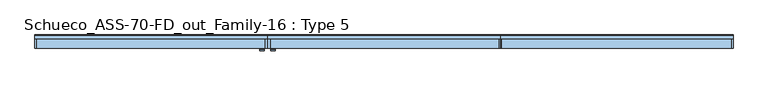
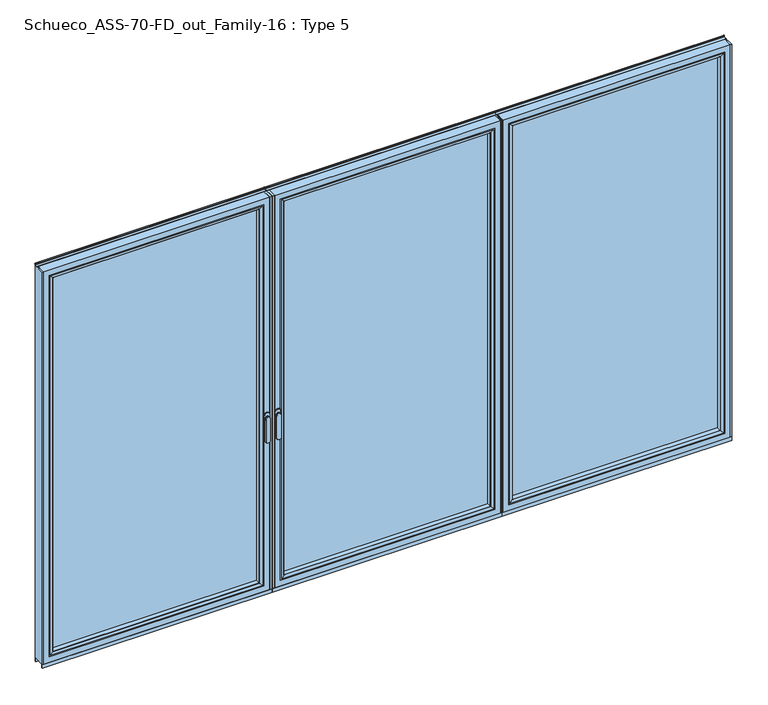
"""IFC4 building model written with IfcOpenShell, lengths in millimetres: window geometry, Schueco_ASS-70-FD_out_Family-16 : Type 5."""

from ifc_helpers import new_model, si_unit, point, frame, frame_2d, origin, place, context, project, spatial, polyline, circle_curve, ellipse_curve, trimmed, segment, composite_curve, outline, extrude, source, transform, mapped, element, save
from ifc_brep_helpers import plane_surface, cylinder_surface, extruded_surface, advanced_brep


def schueco_ass_70_fd_out_family_16_type_5_1ea0177c(model_context):
    return source(origin(), model_context, "Body", "SolidModel", [
        advanced_brep(
        [(42.2886308, -73.5, 1050.0), (18.3113692, -73.5, 1050.0), (42.2886308, -76.8965533, 1050.0), (18.3113692, -76.8965533, 1050.0), (42.2886308, -84.5, 1050.0), (18.3113692, -84.5, 1050.0), (18.3113692, -84.5, 918.6867153), (42.2886308, -84.5, 918.6867153), (42.2886308, -76.8965533, 918.6867153), (18.3113692, -76.8965533, 918.6867153)],
        [
            (0, 1, circle_curve(frame((30.3, -73.5, 1050.0), z_axis=(0.0, 1.0, 0.0), x_axis=(-1.0, 0.0, 0.0)), 11.9886308)),
            (1, 0, circle_curve(frame((30.3, -73.5, 1050.0), z_axis=(0.0, 1.0, 0.0), x_axis=(-1.0, 0.0, 0.0)), 11.9886308)),
            (0, 2),
            (2, 3, circle_curve(frame((30.3, -76.8965533, 1050.0), z_axis=(0.0, 1.0, 0.0), x_axis=(-1.0, 0.0, 0.0)), 11.9886308)),
            (3, 1),
            (3, 2, circle_curve(frame((30.3, -76.8965533, 1050.0), z_axis=(0.0, 1.0, 0.0), x_axis=(-1.0, 0.0, 0.0)), 11.9886308)),
            (4, 5, circle_curve(frame((30.3, -84.5, 1050.0), z_axis=(0.0, -1.0, 0.0), x_axis=(-1.0, 0.0, 0.0)), 11.9886308)),
            (5, 6),
            (6, 7, ellipse_curve(frame((30.3, -84.5, 918.6867153), z_axis=(0.0, -1.0, 0.0), x_axis=(1.0, 0.0, 0.0)), 11.9886308, 7.9050795)),
            (7, 4),
            (2, 8),
            (8, 9, ellipse_curve(frame((30.3, -76.8965533, 918.6867153), z_axis=(0.0, 1.0, 0.0), x_axis=(1.0, 0.0, 0.0)), 11.9886308, 7.9050795)),
            (9, 3),
            (7, 8),
            (2, 4),
            (6, 9),
            (5, 3),
        ],
        [
            plane_surface(frame((18.3113692, -73.5, 1050.0), z_axis=(0.0, 1.0, 0.0), x_axis=(0.0, 0.0, -1.0))),
            cylinder_surface(frame((30.3, -73.5, 1050.0), z_axis=(0.0, -1.0, 0.0), x_axis=(-1.0, 0.0, 0.0)), 11.9886308),
            plane_surface(frame((42.2886308, -84.5, 928.3382074), z_axis=(0.0, -1.0, 0.0), x_axis=(0.0, 0.0, -1.0))),
            plane_surface(frame((42.2886308, -76.8965533, 928.3382074), z_axis=(0.0, 1.0, 0.0), x_axis=(0.0, 0.0, 1.0))),
            plane_surface(frame((42.2886308, -84.5, 1050.0), z_axis=(1.0, 0.0, 0.0), x_axis=(0.0, 1.0, 0.0))),
            extruded_surface(trimmed(ellipse_curve(frame((30.3, -76.8965533, 918.6867153), z_axis=(0.0, 1.0, 0.0), x_axis=(1.0, 0.0, 0.0)), 11.9886308, 7.9050795), [point((42.2886308, -76.8965533, 918.6867153))], [point((18.3113692, -76.8965533, 918.6867153))], True, "CARTESIAN"), (0.0, 7.603446699999992, 0.0), 7.603446699999992),
            plane_surface(frame((18.3113692, -84.5, 918.6867153), z_axis=(-1.0, 0.0, 0.0), x_axis=(0.0, 1.0, 0.0))),
            cylinder_surface(frame((30.3, -76.8965533, 1050.0), z_axis=(0.0, -1.0, 0.0), x_axis=(-1.0, 0.0, 0.0)), 11.9886308),
        ],
        [
            (0, [[1, 2]]),
            (1, [[3, 4, 5, -1]]),
            (1, [[-5, 6, -3, -2]]),
            (2, [[7, 8, 9, 10]]),
            (3, [[-4, 11, 12, 13]]),
            (4, [[14, -11, 15, -10]]),
            (5, [[16, -12, -14, -9]]),
            (6, [[17, -13, -16, -8]]),
            (7, [[-15, -6, -17, -7]]),
        ],
    ),
        extrude(outline(composite_curve([segment(trimmed(circle_curve(frame_2d((1068.75, 30.3)), 14.0), [point((1068.75, 44.3))], [point((1068.75, 16.3))], False, "CARTESIAN"), True, "CONTINUOUS"), segment(polyline([(1068.75, 16.3), (1031.25, 16.3)]), True, "CONTINUOUS"), segment(trimmed(circle_curve(frame_2d((1031.25, 30.3)), 14.0), [point((1031.25, 16.3))], [point((1031.25, 44.3))], False, "CARTESIAN"), True, "CONTINUOUS"), segment(polyline([(1031.25, 44.3), (1068.75, 44.3)]), True, "CONTINUOUS")], self_intersect=False)), frame((0.0, -73.5, 0.0), z_axis=(0.0, 1.0, 0.0), x_axis=(0.0, 0.0, 1.0)), (0.0, 0.0, 1.0), 3.5),
        extrude(outline(polyline([(1272.9333333, 0.0), (1272.9333333, -70.0), (1266.9333333, -70.0), (1266.9333333, 0.0), (1272.9333333, 0.0)])), frame((0.0, 0.0, 37.5), z_axis=(0.0, 0.0, 1.0), x_axis=(1.0, 0.0, 0.0)), (0.0, 0.0, 1.0), 2299.5),
        extrude(outline(polyline([(0.0, 0.0), (14.3, 0.0), (14.3, -70.0), (0.0, -70.0), (0.0, 0.0)])), frame((0.0, 0.0, 37.5), z_axis=(0.0, 0.0, 1.0), x_axis=(1.0, 0.0, 0.0)), (0.0, 0.0, 1.0), 2299.5),
        extrude(outline(polyline([(1234.9333333, -13.999939), (1234.9333333, -37.9928974), (46.3, -37.9928974), (46.3, -13.999939), (1234.9333333, -13.999939)])), frame((0.0, 0.0, 69.5), z_axis=(0.0, 0.0, 1.0), x_axis=(1.0, 0.0, 0.0)), (0.0, 0.0, 1.0), 2235.5),
        advanced_brep(
        [(68.2995728, -64.5552044, 2283.0004272), (68.2995728, -64.5552044, 91.4995728), (68.2995728, -37.9928974, 91.4995728), (68.2995728, -37.9928974, 2283.0004272), (46.3, -37.9928974, 2305.0), (1234.9333333, -37.9928974, 2305.0), (1234.9333333, -37.9928974, 69.5), (46.3, -37.9928974, 69.5), (1212.9337606, -37.9928974, 2283.0004272), (1212.9337606, -37.9928974, 91.4995728), (1212.9337606, -64.5552044, 91.4995728), (67.5900293, -65.8045072, 2283.7099707), (67.5900293, -65.8045072, 90.7900293), (1213.643304, -65.8045072, 90.7900293), (52.299939, -70.0, 2299.000061), (52.299939, -70.0, 75.499939), (1228.9333944, -70.0, 75.499939), (1234.9333333, -70.0, 2305.0), (46.3, -70.0, 2305.0), (46.3, -70.0, 69.5), (1234.9333333, -70.0, 69.5), (1228.9333944, -70.0, 2299.000061), (1212.9337606, -64.5552044, 2283.0004272), (1213.643304, -65.8045072, 2283.7099707)],
        [
            (0, 1),
            (1, 2),
            (2, 3),
            (3, 0),
            (4, 5),
            (5, 6),
            (6, 7),
            (7, 4),
            (8, 3),
            (2, 9),
            (9, 8),
            (1, 10),
            (10, 9),
            (11, 12),
            (12, 1, ellipse_curve(frame((66.8449688, -64.5552044, 90.0449688), z_axis=(-0.7071067811865475, 0.0, 0.7071067811865475), x_axis=(0.7071067811865474, 0.0, 0.7071067811865476)), 2.0571207, 1.454604)),
            (0, 11, ellipse_curve(frame((66.8449688, -64.5552044, 2284.4550312), z_axis=(-0.7071067811865475, 0.0, -0.7071067811865475), x_axis=(-0.7071067811865474, 0.0, 0.7071067811865476)), 2.0571207, 1.454604)),
            (12, 13),
            (13, 10, ellipse_curve(frame((1214.3883645, -64.5552044, 90.0449688), z_axis=(-0.7071067811865475, 0.0, -0.7071067811865475), x_axis=(-0.7071067811865476, 0.0, 0.7071067811865474)), 2.0571207, 1.454604)),
            (14, 15),
            (15, 12, ellipse_curve(frame((52.3638746, -40.2735922, 75.5638746), z_axis=(-0.7071067811865475, 0.0, 0.7071067811865475), x_axis=(0.7071067811865474, 0.0, 0.7071067811865476)), 42.0395863, 29.7264765)),
            (11, 14, ellipse_curve(frame((52.3638746, -40.2735922, 2298.9361254), z_axis=(-0.7071067811865475, 0.0, -0.7071067811865475), x_axis=(-0.7071067811865474, 0.0, 0.7071067811865476)), 42.0395863, 29.7264765)),
            (15, 16),
            (16, 13, ellipse_curve(frame((1228.8694588, -40.2735922, 75.5638746), z_axis=(-0.7071067811865475, 0.0, -0.7071067811865475), x_axis=(-0.7071067811865476, 0.0, 0.7071067811865474)), 42.0395863, 29.7264765)),
            (17, 18),
            (18, 19),
            (19, 20),
            (20, 17),
            (14, 21),
            (21, 16),
            (7, 19),
            (18, 4),
            (6, 20),
            (10, 22),
            (22, 8),
            (13, 23),
            (23, 22, ellipse_curve(frame((1214.3883645, -64.5552044, 2284.4550312), z_axis=(0.7071067811865475, 0.0, -0.7071067811865475), x_axis=(-0.7071067811865474, 0.0, -0.7071067811865476)), 2.0571207, 1.454604)),
            (21, 23, ellipse_curve(frame((1228.8694588, -40.2735922, 2298.9361254), z_axis=(0.7071067811865475, 0.0, -0.7071067811865475), x_axis=(-0.7071067811865474, 0.0, -0.7071067811865476)), 42.0395863, 29.7264765)),
            (5, 17),
            (22, 0),
            (23, 11),
        ],
        [
            plane_surface(frame((68.2995728, -37.9928974, 2283.0004272), z_axis=(1.0, 0.0, 0.0), x_axis=(0.0, 0.0, -1.0))),
            plane_surface(frame((1234.9333333, -37.9928974, 69.5), z_axis=(0.0, 1.0, 0.0), x_axis=(0.0, 0.0, 1.0))),
            plane_surface(frame((68.2995728, -37.9928974, 91.4995728), z_axis=(0.0, 0.0, 1.0), x_axis=(1.0, 0.0, 0.0))),
            cylinder_surface(frame((66.8449688, -64.5552044, 2283.0004272), z_axis=(0.0, 0.0, 1.0), x_axis=(-1.0, 0.0, 0.0)), 1.454604),
            cylinder_surface(frame((68.2995728, -64.5552044, 90.0449688), z_axis=(-1.0, 0.0, 0.0), x_axis=(0.0, 0.0, -1.0)), 1.454604),
            cylinder_surface(frame((52.3638746, -40.2735922, 2283.0004272), z_axis=(0.0, 0.0, 1.0), x_axis=(-1.0, 0.0, 0.0)), 29.7264765),
            cylinder_surface(frame((68.2995728, -40.2735922, 75.5638746), z_axis=(-1.0, 0.0, 0.0), x_axis=(0.0, 0.0, -1.0)), 29.7264765),
            plane_surface(frame((1228.9333944, -70.0, 75.499939), z_axis=(0.0, -1.0, 0.0), x_axis=(0.0, 0.0, 1.0))),
            plane_surface(frame((46.3, -70.0, 2305.0), z_axis=(-1.0, 0.0, 0.0), x_axis=(0.0, 0.0, -1.0))),
            plane_surface(frame((46.3, -70.0, 69.5), z_axis=(0.0, 0.0, -1.0), x_axis=(1.0, 0.0, 0.0))),
            plane_surface(frame((1212.9337606, -37.9928974, 91.4995728), z_axis=(-1.0, 0.0, 0.0), x_axis=(0.0, 0.0, 1.0))),
            cylinder_surface(frame((1214.3883645, -64.5552044, 91.4995728), z_axis=(0.0, 0.0, -1.0), x_axis=(1.0, 0.0, 0.0)), 1.454604),
            cylinder_surface(frame((1228.8694588, -40.2735922, 91.4995728), z_axis=(0.0, 0.0, -1.0), x_axis=(1.0, 0.0, 0.0)), 29.7264765),
            plane_surface(frame((1234.9333333, -70.0, 69.5), z_axis=(1.0, 0.0, 0.0), x_axis=(0.0, 0.0, 1.0))),
            plane_surface(frame((1212.9337606, -37.9928974, 2283.0004272), z_axis=(0.0, 0.0, -1.0), x_axis=(-1.0, 0.0, 0.0))),
            cylinder_surface(frame((1212.9337606, -64.5552044, 2284.4550312), z_axis=(1.0, 0.0, 0.0), x_axis=(0.0, 0.0, 1.0)), 1.454604),
            cylinder_surface(frame((1212.9337606, -40.2735922, 2298.9361254), z_axis=(1.0, 0.0, 0.0), x_axis=(0.0, 0.0, 1.0)), 29.7264765),
            plane_surface(frame((1234.9333333, -70.0, 2305.0), z_axis=(0.0, 0.0, 1.0), x_axis=(-1.0, 0.0, 0.0))),
        ],
        [
            (0, [[1, 2, 3, 4]]),
            (1, [[5, 6, 7, 8], [9, -3, 10, 11]]),
            (2, [[12, 13, -10, -2]]),
            (3, [[14, 15, -1, 16]]),
            (4, [[17, 18, -12, -15]]),
            (5, [[19, 20, -14, 21]]),
            (6, [[22, 23, -17, -20]]),
            (7, [[24, 25, 26, 27], [28, 29, -22, -19]]),
            (8, [[-8, 30, -25, 31]]),
            (9, [[-7, 32, -26, -30]]),
            (10, [[33, 34, -11, -13]]),
            (11, [[35, 36, -33, -18]]),
            (12, [[-29, 37, -35, -23]]),
            (13, [[-6, 38, -27, -32]]),
            (14, [[39, -4, -9, -34]]),
            (15, [[40, -16, -39, -36]]),
            (16, [[-28, -21, -40, -37]]),
            (17, [[-5, -31, -24, -38]]),
        ],
    ),
        advanced_brep(
        [(1266.9333333, -70.0, 2337.0), (1266.9333333, -70.0, 37.5), (1266.9333333, 0.0, 37.5), (1266.9333333, 0.0, 2337.0), (14.3, -70.0, 37.5), (14.3, 0.0, 37.5), (14.3, 0.0, 2337.0), (63.7991901, 0.0, 86.9991901), (1217.4341433, 0.0, 86.9991901), (1217.4341433, 0.0, 2287.5008099), (63.7991901, 0.0, 2287.5008099), (14.3, -70.0, 2337.0), (1234.9333333, -70.0, 69.5), (46.3, -70.0, 69.5), (46.3, -70.0, 2305.0), (1234.9333333, -70.0, 2305.0), (1234.9333333, -13.999939, 2305.0), (1234.9333333, -13.999939, 69.5), (46.3, -13.999939, 69.5), (46.3, -13.999939, 2305.0), (1212.9337606, -13.999939, 91.4995728), (68.2995728, -13.999939, 91.4995728), (68.2995728, -13.999939, 2283.0004272), (1212.9337606, -13.999939, 2283.0004272), (1212.9337606, -4.5004435, 2283.0004272), (1212.9337606, -4.5004435, 91.4995728), (68.2995728, -4.5004435, 91.4995728), (68.2995728, -4.5004435, 2283.0004272)],
        [
            (0, 1),
            (1, 2),
            (2, 3),
            (3, 0),
            (1, 4),
            (4, 5),
            (5, 2),
            (5, 6),
            (6, 3),
            (7, 8),
            (8, 9),
            (9, 10),
            (10, 7),
            (4, 11),
            (11, 6),
            (0, 11),
            (12, 13),
            (13, 14),
            (14, 15),
            (15, 12),
            (16, 17),
            (17, 12),
            (15, 16),
            (17, 18),
            (18, 13),
            (18, 19),
            (19, 14),
            (16, 19),
            (20, 21),
            (21, 22),
            (22, 23),
            (23, 20),
            (24, 25),
            (25, 20),
            (23, 24),
            (25, 26),
            (26, 21),
            (26, 27),
            (27, 22),
            (7, 26, ellipse_curve(frame((63.7991901, -4.5004435, 86.9991901), z_axis=(0.7071067811865475, 0.0, -0.7071067811865475), x_axis=(0.7071067811865476, 0.0, 0.7071067811865474)), 6.3645023, 4.5003827)),
            (25, 8, ellipse_curve(frame((1217.4341433, -4.5004435, 86.9991901), z_axis=(-0.7071067811865475, 0.0, -0.7071067811865475), x_axis=(0.7071067811865476, 0.0, -0.7071067811865474)), 6.3645023, 4.5003827)),
            (24, 9, ellipse_curve(frame((1217.4341433, -4.5004435, 2287.5008099), z_axis=(0.7071067811865475, 0.0, -0.7071067811865475), x_axis=(0.7071067811865474, 0.0, 0.7071067811865476)), 6.3645023, 4.5003827)),
            (10, 27, ellipse_curve(frame((63.7991901, -4.5004435, 2287.5008099), z_axis=(-0.7071067811865475, 0.0, -0.7071067811865475), x_axis=(0.7071067811865474, 0.0, -0.7071067811865476)), 6.3645023, 4.5003827)),
            (27, 24),
        ],
        [
            plane_surface(frame((1266.9333333, 0.0, 2337.0), z_axis=(1.0, 0.0, 0.0), x_axis=(0.0, 0.0, -1.0))),
            plane_surface(frame((1266.9333333, 0.0, 37.5), z_axis=(0.0, 0.0, -1.0), x_axis=(-1.0, 0.0, 0.0))),
            plane_surface(frame((1217.4341433, 0.0, 2287.5008099), z_axis=(0.0, 1.0, 0.0), x_axis=(0.0, 0.0, -1.0))),
            plane_surface(frame((14.3, 0.0, 37.5), z_axis=(-1.0, 0.0, 0.0), x_axis=(0.0, 0.0, 1.0))),
            plane_surface(frame((1266.9333333, -70.0, 2337.0), z_axis=(0.0, -1.0, 0.0), x_axis=(0.0, 0.0, -1.0))),
            plane_surface(frame((1234.9333333, -70.0, 2305.0), z_axis=(-1.0, 0.0, 0.0), x_axis=(0.0, 0.0, -1.0))),
            plane_surface(frame((1234.9333333, -70.0, 69.5), z_axis=(0.0, 0.0, 1.0), x_axis=(-1.0, 0.0, 0.0))),
            plane_surface(frame((46.3, -70.0, 69.5), z_axis=(1.0, 0.0, 0.0), x_axis=(0.0, 0.0, 1.0))),
            plane_surface(frame((1234.9333333, -13.999939, 2305.0), z_axis=(0.0, -1.0, 0.0), x_axis=(0.0, 0.0, -1.0))),
            plane_surface(frame((1212.9337606, -13.999939, 2283.0004272), z_axis=(-1.0, 0.0, 0.0), x_axis=(0.0, 0.0, -1.0))),
            plane_surface(frame((1212.9337606, -13.999939, 91.4995728), z_axis=(0.0, 0.0, 1.0), x_axis=(-1.0, 0.0, 0.0))),
            plane_surface(frame((68.2995728, -13.999939, 91.4995728), z_axis=(1.0, 0.0, 0.0), x_axis=(0.0, 0.0, 1.0))),
            cylinder_surface(frame((1272.9333333, -4.5004435, 86.9991901), z_axis=(1.0, 0.0, 0.0), x_axis=(0.0, -1.0, 0.0)), 4.5003827),
            cylinder_surface(frame((1217.4341433, -4.5004435, 2343.0), z_axis=(0.0, 0.0, 1.0), x_axis=(0.0, -1.0, 0.0)), 4.5003827),
            cylinder_surface(frame((63.7991901, -4.5004435, 31.5), z_axis=(0.0, 0.0, -1.0), x_axis=(0.0, -1.0, 0.0)), 4.5003827),
            plane_surface(frame((14.3, 0.0, 2337.0), z_axis=(0.0, 0.0, 1.0), x_axis=(1.0, 0.0, 0.0))),
            plane_surface(frame((46.3, -70.0, 2305.0), z_axis=(0.0, 0.0, -1.0), x_axis=(1.0, 0.0, 0.0))),
            plane_surface(frame((68.2995728, -13.999939, 2283.0004272), z_axis=(0.0, 0.0, -1.0), x_axis=(1.0, 0.0, 0.0))),
            cylinder_surface(frame((8.3, -4.5004435, 2287.5008099), z_axis=(-1.0, 0.0, 0.0), x_axis=(0.0, -1.0, 0.0)), 4.5003827),
        ],
        [
            (0, [[1, 2, 3, 4]]),
            (1, [[5, 6, 7, -2]]),
            (2, [[-7, 8, 9, -3], [10, 11, 12, 13]]),
            (3, [[14, 15, -8, -6]]),
            (4, [[-5, -1, 16, -14], [17, 18, 19, 20]]),
            (5, [[21, 22, -20, 23]]),
            (6, [[24, 25, -17, -22]]),
            (7, [[26, 27, -18, -25]]),
            (8, [[-24, -21, 28, -26], [29, 30, 31, 32]]),
            (9, [[33, 34, -32, 35]]),
            (10, [[36, 37, -29, -34]]),
            (11, [[38, 39, -30, -37]]),
            (12, [[-10, 40, -36, 41]]),
            (13, [[-11, -41, -33, 42]]),
            (14, [[-13, 43, -38, -40]]),
            (15, [[-16, -4, -9, -15]]),
            (16, [[-28, -23, -19, -27]]),
            (17, [[44, -35, -31, -39]]),
            (18, [[-12, -42, -44, -43]]),
        ],
    ),
        extrude(outline(polyline([(1272.9333333, -7.6000076), (0.0, -7.6000076), (0.0, 0.0), (1272.9333333, 0.0), (1272.9333333, -7.6000076)])), frame((0.0, 0.0, 15.4995117), z_axis=(0.0, 0.0, 1.0), x_axis=(1.0, 0.0, 0.0)), (0.0, 0.0, 1.0), 22.0004883),
        extrude(outline(polyline([(1272.9333333, -70.0), (0.0, -70.0), (0.0, -62.2757497), (1272.9333333, -62.2757497), (1272.9333333, -70.0)])), frame((0.0, 0.0, 15.4995117), z_axis=(0.0, 0.0, 1.0), x_axis=(1.0, 0.0, 0.0)), (0.0, 0.0, 1.0), 22.0004883),
        extrude(outline(composite_curve([segment(polyline([(-17.955674, 2339.1400778), (-1.3636404, 2339.1400778), (0.0, 2342.963961), (0.0, 2348.6420698), (0.8937897, 2348.6420698), (1.8738669, 2344.9939222)]), True, "CONTINUOUS"), segment(trimmed(circle_curve(frame_2d((-0.0576456, 2344.4750201)), 2.0), [point((1.8738669, 2344.9939222))], [point((1.8735116, 2343.9547971))], False, "CARTESIAN"), True, "CONTINUOUS"), segment(polyline([(1.8735116, 2343.9547971), (0.0, 2337.0), (-17.955674, 2337.0), (-17.955674, 2339.1400778)]), True, "CONTINUOUS")], self_intersect=False)), frame((0.0, 0.0, 0.0), z_axis=(1.0, 0.0, 0.0), x_axis=(0.0, 1.0, 0.0)), (0.0, 0.0, 1.0), 1272.9333333),
        advanced_brep(
        [(-42.2886308, -73.5, 1050.0), (-18.3113692, -73.5, 1050.0), (-18.3113692, -76.8965533, 1050.0), (-42.2886308, -76.8965533, 1050.0), (-42.2886308, -84.5, 1050.0), (-42.2886308, -84.5, 918.6867153), (-18.3113692, -84.5, 918.6867153), (-18.3113692, -84.5, 1050.0), (-18.3113692, -76.8965533, 918.6867153), (-42.2886308, -76.8965533, 918.6867153)],
        [
            (0, 1, circle_curve(frame((-30.3, -73.5, 1050.0), z_axis=(0.0, 1.0, 0.0), x_axis=(1.0, 0.0, 0.0)), 11.9886308)),
            (1, 0, circle_curve(frame((-30.3, -73.5, 1050.0), z_axis=(0.0, 1.0, 0.0), x_axis=(1.0, 0.0, 0.0)), 11.9886308)),
            (1, 2),
            (2, 3, circle_curve(frame((-30.3, -76.8965533, 1050.0), z_axis=(0.0, 1.0, 0.0), x_axis=(1.0, 0.0, 0.0)), 11.9886308)),
            (3, 0),
            (3, 2, circle_curve(frame((-30.3, -76.8965533, 1050.0), z_axis=(0.0, 1.0, 0.0), x_axis=(1.0, 0.0, 0.0)), 11.9886308)),
            (4, 5),
            (5, 6, ellipse_curve(frame((-30.3, -84.5, 918.6867153), z_axis=(0.0, -1.0, 0.0), x_axis=(-1.0, 0.0, 0.0)), 11.9886308, 7.9050795)),
            (6, 7),
            (7, 4, circle_curve(frame((-30.3, -84.5, 1050.0), z_axis=(0.0, -1.0, 0.0), x_axis=(1.0, 0.0, 0.0)), 11.9886308)),
            (2, 8),
            (8, 9, ellipse_curve(frame((-30.3, -76.8965533, 918.6867153), z_axis=(0.0, 1.0, 0.0), x_axis=(-1.0, 0.0, 0.0)), 11.9886308, 7.9050795)),
            (9, 3),
            (4, 3),
            (9, 5),
            (8, 6),
            (2, 7),
        ],
        [
            plane_surface(frame((-18.3113692, -73.5, 1050.0), z_axis=(0.0, 1.0, 0.0), x_axis=(0.0, 0.0, -1.0))),
            cylinder_surface(frame((-30.3, -73.5, 1050.0), z_axis=(0.0, -1.0, 0.0), x_axis=(1.0, 0.0, 0.0)), 11.9886308),
            plane_surface(frame((-42.2886308, -84.5, 928.3382074), z_axis=(0.0, -1.0, 0.0), x_axis=(0.0, 0.0, -1.0))),
            plane_surface(frame((-42.2886308, -76.8965533, 928.3382074), z_axis=(0.0, 1.0, 0.0), x_axis=(0.0, 0.0, 1.0))),
            plane_surface(frame((-42.2886308, -84.5, 1050.0), z_axis=(-1.0, 0.0, 0.0), x_axis=(0.0, 1.0, 0.0))),
            extruded_surface(trimmed(ellipse_curve(frame((-30.3, -69.2931066, 918.6867153), z_axis=(0.0, -1.0, 0.0), x_axis=(-1.0, 0.0, 0.0)), 11.9886308, 7.9050795), [point((-42.2886308, -69.2931066, 918.6867153))], [point((-18.3113692, -69.2931066, 918.6867153))], True, "CARTESIAN"), (0.0, -7.603446699999992, 0.0), 7.603446699999992),
            plane_surface(frame((-18.3113692, -84.5, 918.6867153), z_axis=(1.0, 0.0, 0.0), x_axis=(0.0, 1.0, 0.0))),
            cylinder_surface(frame((-30.3, -76.8965533, 1050.0), z_axis=(0.0, -1.0, 0.0), x_axis=(1.0, 0.0, 0.0)), 11.9886308),
        ],
        [
            (0, [[1, 2]]),
            (1, [[-2, 3, 4, 5]]),
            (1, [[-1, -5, 6, -3]]),
            (2, [[7, 8, 9, 10]]),
            (3, [[11, 12, 13, -4]]),
            (4, [[-7, 14, -13, 15]]),
            (5, [[-8, -15, -12, 16]]),
            (6, [[-9, -16, -11, 17]]),
            (7, [[-10, -17, -6, -14]]),
        ],
    ),
        extrude(outline(composite_curve([segment(polyline([(1068.75, -44.3), (1031.25, -44.3)]), True, "CONTINUOUS"), segment(trimmed(circle_curve(frame_2d((1031.25, -30.3)), 14.0), [point((1031.25, -44.3))], [point((1031.25, -16.3))], False, "CARTESIAN"), True, "CONTINUOUS"), segment(polyline([(1031.25, -16.3), (1068.75, -16.3)]), True, "CONTINUOUS"), segment(trimmed(circle_curve(frame_2d((1068.75, -30.3)), 14.0), [point((1068.75, -16.3))], [point((1068.75, -44.3))], False, "CARTESIAN"), True, "CONTINUOUS")], self_intersect=False)), frame((0.0, -73.5, 0.0), z_axis=(0.0, 1.0, 0.0), x_axis=(0.0, 0.0, 1.0)), (0.0, 0.0, 1.0), 3.5),
        extrude(outline(polyline([(-1272.9333333, 0.0), (-1266.9333333, 0.0), (-1266.9333333, -70.0), (-1272.9333333, -70.0), (-1272.9333333, 0.0)])), frame((0.0, 0.0, 37.5), z_axis=(0.0, 0.0, 1.0), x_axis=(1.0, 0.0, 0.0)), (0.0, 0.0, 1.0), 2299.5),
        extrude(outline(polyline([(0.0, 0.0), (0.0, -70.0), (-14.3, -70.0), (-14.3, 0.0), (0.0, 0.0)])), frame((0.0, 0.0, 37.5), z_axis=(0.0, 0.0, 1.0), x_axis=(1.0, 0.0, 0.0)), (0.0, 0.0, 1.0), 2299.5),
        extrude(outline(polyline([(-1234.9333333, -13.999939), (-46.3, -13.999939), (-46.3, -37.9928974), (-1234.9333333, -37.9928974), (-1234.9333333, -13.999939)])), frame((0.0, 0.0, 69.5), z_axis=(0.0, 0.0, 1.0), x_axis=(1.0, 0.0, 0.0)), (0.0, 0.0, 1.0), 2235.5),
        advanced_brep(
        [(-68.2995728, -64.5552044, 2283.0004272), (-68.2995728, -37.9928974, 2283.0004272), (-68.2995728, -37.9928974, 91.4995728), (-68.2995728, -64.5552044, 91.4995728), (-46.3, -37.9928974, 2305.0), (-46.3, -37.9928974, 69.5), (-1234.9333333, -37.9928974, 69.5), (-1234.9333333, -37.9928974, 2305.0), (-1212.9337606, -37.9928974, 2283.0004272), (-1212.9337606, -37.9928974, 91.4995728), (-1212.9337606, -64.5552044, 91.4995728), (-67.5900293, -65.8045072, 2283.7099707), (-67.5900293, -65.8045072, 90.7900293), (-1213.643304, -65.8045072, 90.7900293), (-52.299939, -70.0, 2299.000061), (-52.299939, -70.0, 75.499939), (-1228.9333944, -70.0, 75.499939), (-1234.9333333, -70.0, 2305.0), (-1234.9333333, -70.0, 69.5), (-46.3, -70.0, 69.5), (-46.3, -70.0, 2305.0), (-1228.9333944, -70.0, 2299.000061), (-1212.9337606, -64.5552044, 2283.0004272), (-1213.643304, -65.8045072, 2283.7099707)],
        [
            (0, 1),
            (1, 2),
            (2, 3),
            (3, 0),
            (4, 5),
            (5, 6),
            (6, 7),
            (7, 4),
            (8, 9),
            (9, 2),
            (1, 8),
            (9, 10),
            (10, 3),
            (11, 0, ellipse_curve(frame((-66.8449688, -64.5552044, 2284.4550312), z_axis=(0.7071067811865475, 0.0, -0.7071067811865475), x_axis=(0.7071067811865474, 0.0, 0.7071067811865476)), 2.0571207, 1.454604)),
            (3, 12, ellipse_curve(frame((-66.8449688, -64.5552044, 90.0449688), z_axis=(0.7071067811865475, 0.0, 0.7071067811865475), x_axis=(-0.7071067811865474, 0.0, 0.7071067811865476)), 2.0571207, 1.454604)),
            (12, 11),
            (10, 13, ellipse_curve(frame((-1214.3883645, -64.5552044, 90.0449688), z_axis=(0.7071067811865475, 0.0, -0.7071067811865475), x_axis=(0.7071067811865476, 0.0, 0.7071067811865474)), 2.0571207, 1.454604)),
            (13, 12),
            (14, 11, ellipse_curve(frame((-52.3638746, -40.2735922, 2298.9361254), z_axis=(0.7071067811865475, 0.0, -0.7071067811865475), x_axis=(0.7071067811865474, 0.0, 0.7071067811865476)), 42.0395863, 29.7264765)),
            (12, 15, ellipse_curve(frame((-52.3638746, -40.2735922, 75.5638746), z_axis=(0.7071067811865475, 0.0, 0.7071067811865475), x_axis=(-0.7071067811865474, 0.0, 0.7071067811865476)), 42.0395863, 29.7264765)),
            (15, 14),
            (13, 16, ellipse_curve(frame((-1228.8694588, -40.2735922, 75.5638746), z_axis=(0.7071067811865475, 0.0, -0.7071067811865475), x_axis=(0.7071067811865476, 0.0, 0.7071067811865474)), 42.0395863, 29.7264765)),
            (16, 15),
            (17, 18),
            (18, 19),
            (19, 20),
            (20, 17),
            (16, 21),
            (21, 14),
            (4, 20),
            (19, 5),
            (18, 6),
            (8, 22),
            (22, 10),
            (22, 23, ellipse_curve(frame((-1214.3883645, -64.5552044, 2284.4550312), z_axis=(-0.7071067811865475, 0.0, -0.7071067811865475), x_axis=(0.7071067811865474, 0.0, -0.7071067811865476)), 2.0571207, 1.454604)),
            (23, 13),
            (23, 21, ellipse_curve(frame((-1228.8694588, -40.2735922, 2298.9361254), z_axis=(-0.7071067811865475, 0.0, -0.7071067811865475), x_axis=(0.7071067811865474, 0.0, -0.7071067811865476)), 42.0395863, 29.7264765)),
            (17, 7),
            (0, 22),
            (11, 23),
        ],
        [
            plane_surface(frame((-68.2995728, -37.9928974, 2283.0004272), z_axis=(-1.0, 0.0, 0.0), x_axis=(0.0, 0.0, -1.0))),
            plane_surface(frame((-1234.9333333, -37.9928974, 69.5), z_axis=(0.0, 1.0, 0.0), x_axis=(0.0, 0.0, 1.0))),
            plane_surface(frame((-68.2995728, -37.9928974, 91.4995728), z_axis=(0.0, 0.0, 1.0), x_axis=(-1.0, 0.0, 0.0))),
            cylinder_surface(frame((-66.8449688, -64.5552044, 2283.0004272), z_axis=(0.0, 0.0, 1.0), x_axis=(1.0, 0.0, 0.0)), 1.454604),
            cylinder_surface(frame((-68.2995728, -64.5552044, 90.0449688), z_axis=(1.0, 0.0, 0.0), x_axis=(0.0, 0.0, -1.0)), 1.454604),
            cylinder_surface(frame((-52.3638746, -40.2735922, 2283.0004272), z_axis=(0.0, 0.0, 1.0), x_axis=(1.0, 0.0, 0.0)), 29.7264765),
            cylinder_surface(frame((-68.2995728, -40.2735922, 75.5638746), z_axis=(1.0, 0.0, 0.0), x_axis=(0.0, 0.0, -1.0)), 29.7264765),
            plane_surface(frame((-1228.9333944, -70.0, 75.499939), z_axis=(0.0, -1.0, 0.0), x_axis=(0.0, 0.0, 1.0))),
            plane_surface(frame((-46.3, -70.0, 2305.0), z_axis=(1.0, 0.0, 0.0), x_axis=(0.0, 0.0, -1.0))),
            plane_surface(frame((-46.3, -70.0, 69.5), z_axis=(0.0, 0.0, -1.0), x_axis=(-1.0, 0.0, 0.0))),
            plane_surface(frame((-1212.9337606, -37.9928974, 91.4995728), z_axis=(1.0, 0.0, 0.0), x_axis=(0.0, 0.0, 1.0))),
            cylinder_surface(frame((-1214.3883645, -64.5552044, 91.4995728), z_axis=(0.0, 0.0, -1.0), x_axis=(-1.0, 0.0, 0.0)), 1.454604),
            cylinder_surface(frame((-1228.8694588, -40.2735922, 91.4995728), z_axis=(0.0, 0.0, -1.0), x_axis=(-1.0, 0.0, 0.0)), 29.7264765),
            plane_surface(frame((-1234.9333333, -70.0, 69.5), z_axis=(-1.0, 0.0, 0.0), x_axis=(0.0, 0.0, 1.0))),
            plane_surface(frame((-1212.9337606, -37.9928974, 2283.0004272), z_axis=(0.0, 0.0, -1.0), x_axis=(1.0, 0.0, 0.0))),
            cylinder_surface(frame((-1212.9337606, -64.5552044, 2284.4550312), z_axis=(-1.0, 0.0, 0.0), x_axis=(0.0, 0.0, 1.0)), 1.454604),
            cylinder_surface(frame((-1212.9337606, -40.2735922, 2298.9361254), z_axis=(-1.0, 0.0, 0.0), x_axis=(0.0, 0.0, 1.0)), 29.7264765),
            plane_surface(frame((-1234.9333333, -70.0, 2305.0), z_axis=(0.0, 0.0, 1.0), x_axis=(1.0, 0.0, 0.0))),
        ],
        [
            (0, [[1, 2, 3, 4]]),
            (1, [[5, 6, 7, 8], [9, 10, -2, 11]]),
            (2, [[-3, -10, 12, 13]]),
            (3, [[14, -4, 15, 16]]),
            (4, [[-15, -13, 17, 18]]),
            (5, [[19, -16, 20, 21]]),
            (6, [[-20, -18, 22, 23]]),
            (7, [[24, 25, 26, 27], [-21, -23, 28, 29]]),
            (8, [[30, -26, 31, -5]]),
            (9, [[-31, -25, 32, -6]]),
            (10, [[-12, -9, 33, 34]]),
            (11, [[-17, -34, 35, 36]]),
            (12, [[-22, -36, 37, -28]]),
            (13, [[-32, -24, 38, -7]]),
            (14, [[-33, -11, -1, 39]]),
            (15, [[-35, -39, -14, 40]]),
            (16, [[-37, -40, -19, -29]]),
            (17, [[-38, -27, -30, -8]]),
        ],
    ),
        advanced_brep(
        [(-1266.9333333, -70.0, 2337.0), (-1266.9333333, 0.0, 2337.0), (-1266.9333333, 0.0, 37.5), (-1266.9333333, -70.0, 37.5), (-14.3, 0.0, 37.5), (-14.3, -70.0, 37.5), (-14.3, 0.0, 2337.0), (-63.7991901, 0.0, 86.9991901), (-63.7991901, 0.0, 2287.5008099), (-1217.4341433, 0.0, 2287.5008099), (-1217.4341433, 0.0, 86.9991901), (-14.3, -70.0, 2337.0), (-1234.9333333, -70.0, 69.5), (-1234.9333333, -70.0, 2305.0), (-46.3, -70.0, 2305.0), (-46.3, -70.0, 69.5), (-1234.9333333, -13.999939, 2305.0), (-1234.9333333, -13.999939, 69.5), (-46.3, -13.999939, 69.5), (-46.3, -13.999939, 2305.0), (-1212.9337606, -13.999939, 91.4995728), (-1212.9337606, -13.999939, 2283.0004272), (-68.2995728, -13.999939, 2283.0004272), (-68.2995728, -13.999939, 91.4995728), (-1212.9337606, -4.5004435, 2283.0004272), (-1212.9337606, -4.5004435, 91.4995728), (-68.2995728, -4.5004435, 91.4995728), (-68.2995728, -4.5004435, 2283.0004272)],
        [
            (0, 1),
            (1, 2),
            (2, 3),
            (3, 0),
            (2, 4),
            (4, 5),
            (5, 3),
            (1, 6),
            (6, 4),
            (7, 8),
            (8, 9),
            (9, 10),
            (10, 7),
            (6, 11),
            (11, 5),
            (11, 0),
            (12, 13),
            (13, 14),
            (14, 15),
            (15, 12),
            (16, 13),
            (12, 17),
            (17, 16),
            (15, 18),
            (18, 17),
            (14, 19),
            (19, 18),
            (19, 16),
            (20, 21),
            (21, 22),
            (22, 23),
            (23, 20),
            (24, 21),
            (20, 25),
            (25, 24),
            (23, 26),
            (26, 25),
            (22, 27),
            (27, 26),
            (10, 25, ellipse_curve(frame((-1217.4341433, -4.5004435, 86.9991901), z_axis=(0.7071067811865475, 0.0, -0.7071067811865475), x_axis=(-0.7071067811865476, 0.0, -0.7071067811865474)), 6.3645023, 4.5003827)),
            (26, 7, ellipse_curve(frame((-63.7991901, -4.5004435, 86.9991901), z_axis=(-0.7071067811865475, 0.0, -0.7071067811865475), x_axis=(-0.7071067811865476, 0.0, 0.7071067811865474)), 6.3645023, 4.5003827)),
            (9, 24, ellipse_curve(frame((-1217.4341433, -4.5004435, 2287.5008099), z_axis=(-0.7071067811865475, 0.0, -0.7071067811865475), x_axis=(-0.7071067811865474, 0.0, 0.7071067811865476)), 6.3645023, 4.5003827)),
            (27, 8, ellipse_curve(frame((-63.7991901, -4.5004435, 2287.5008099), z_axis=(0.7071067811865475, 0.0, -0.7071067811865475), x_axis=(-0.7071067811865474, 0.0, -0.7071067811865476)), 6.3645023, 4.5003827)),
            (24, 27),
        ],
        [
            plane_surface(frame((-1266.9333333, 0.0, 2337.0), z_axis=(-1.0, 0.0, 0.0), x_axis=(0.0, 0.0, -1.0))),
            plane_surface(frame((-1266.9333333, 0.0, 37.5), z_axis=(0.0, 0.0, -1.0), x_axis=(1.0, 0.0, 0.0))),
            plane_surface(frame((-1217.4341433, 0.0, 2287.5008099), z_axis=(0.0, 1.0, 0.0), x_axis=(0.0, 0.0, -1.0))),
            plane_surface(frame((-14.3, 0.0, 37.5), z_axis=(1.0, 0.0, 0.0), x_axis=(0.0, 0.0, 1.0))),
            plane_surface(frame((-1266.9333333, -70.0, 2337.0), z_axis=(0.0, -1.0, 0.0), x_axis=(0.0, 0.0, -1.0))),
            plane_surface(frame((-1234.9333333, -70.0, 2305.0), z_axis=(1.0, 0.0, 0.0), x_axis=(0.0, 0.0, -1.0))),
            plane_surface(frame((-1234.9333333, -70.0, 69.5), z_axis=(0.0, 0.0, 1.0), x_axis=(1.0, 0.0, 0.0))),
            plane_surface(frame((-46.3, -70.0, 69.5), z_axis=(-1.0, 0.0, 0.0), x_axis=(0.0, 0.0, 1.0))),
            plane_surface(frame((-1234.9333333, -13.999939, 2305.0), z_axis=(0.0, -1.0, 0.0), x_axis=(0.0, 0.0, -1.0))),
            plane_surface(frame((-1212.9337606, -13.999939, 2283.0004272), z_axis=(1.0, 0.0, 0.0), x_axis=(0.0, 0.0, -1.0))),
            plane_surface(frame((-1212.9337606, -13.999939, 91.4995728), z_axis=(0.0, 0.0, 1.0), x_axis=(1.0, 0.0, 0.0))),
            plane_surface(frame((-68.2995728, -13.999939, 91.4995728), z_axis=(-1.0, 0.0, 0.0), x_axis=(0.0, 0.0, 1.0))),
            cylinder_surface(frame((-1272.9333333, -4.5004435, 86.9991901), z_axis=(-1.0, 0.0, 0.0), x_axis=(0.0, -1.0, 0.0)), 4.5003827),
            cylinder_surface(frame((-1217.4341433, -4.5004435, 2343.0), z_axis=(0.0, 0.0, 1.0), x_axis=(0.0, -1.0, 0.0)), 4.5003827),
            cylinder_surface(frame((-63.7991901, -4.5004435, 31.5), z_axis=(0.0, 0.0, -1.0), x_axis=(0.0, -1.0, 0.0)), 4.5003827),
            plane_surface(frame((-14.3, 0.0, 2337.0), z_axis=(0.0, 0.0, 1.0), x_axis=(-1.0, 0.0, 0.0))),
            plane_surface(frame((-46.3, -70.0, 2305.0), z_axis=(0.0, 0.0, -1.0), x_axis=(-1.0, 0.0, 0.0))),
            plane_surface(frame((-68.2995728, -13.999939, 2283.0004272), z_axis=(0.0, 0.0, -1.0), x_axis=(-1.0, 0.0, 0.0))),
            cylinder_surface(frame((-8.3, -4.5004435, 2287.5008099), z_axis=(1.0, 0.0, 0.0), x_axis=(0.0, -1.0, 0.0)), 4.5003827),
        ],
        [
            (0, [[1, 2, 3, 4]]),
            (1, [[-3, 5, 6, 7]]),
            (2, [[-2, 8, 9, -5], [10, 11, 12, 13]]),
            (3, [[-6, -9, 14, 15]]),
            (4, [[-15, 16, -4, -7], [17, 18, 19, 20]]),
            (5, [[21, -17, 22, 23]]),
            (6, [[-22, -20, 24, 25]]),
            (7, [[-24, -19, 26, 27]]),
            (8, [[-27, 28, -23, -25], [29, 30, 31, 32]]),
            (9, [[33, -29, 34, 35]]),
            (10, [[-34, -32, 36, 37]]),
            (11, [[-36, -31, 38, 39]]),
            (12, [[40, -37, 41, -13]]),
            (13, [[42, -35, -40, -12]]),
            (14, [[-41, -39, 43, -10]]),
            (15, [[-14, -8, -1, -16]]),
            (16, [[-26, -18, -21, -28]]),
            (17, [[-38, -30, -33, 44]]),
            (18, [[-43, -44, -42, -11]]),
        ],
    ),
        extrude(outline(polyline([(-1272.9333333, -7.6000076), (-1272.9333333, 0.0), (0.0, 0.0), (0.0, -7.6000076), (-1272.9333333, -7.6000076)])), frame((0.0, 0.0, 15.4995117), z_axis=(0.0, 0.0, 1.0), x_axis=(1.0, 0.0, 0.0)), (0.0, 0.0, 1.0), 22.0004883),
        extrude(outline(polyline([(-1272.9333333, -70.0), (-1272.9333333, -62.2757497), (0.0, -62.2757497), (0.0, -70.0), (-1272.9333333, -70.0)])), frame((0.0, 0.0, 15.4995117), z_axis=(0.0, 0.0, 1.0), x_axis=(1.0, 0.0, 0.0)), (0.0, 0.0, 1.0), 22.0004883),
        extrude(outline(composite_curve([segment(polyline([(-17.955674, 2339.1400778), (-1.3636404, 2339.1400778), (0.0, 2342.963961), (0.0, 2348.6420698), (0.8937897, 2348.6420698), (1.8738669, 2344.9939222)]), True, "CONTINUOUS"), segment(trimmed(circle_curve(frame_2d((-0.0576456, 2344.4750201)), 2.0), [point((1.8738669, 2344.9939222))], [point((1.8735116, 2343.9547971))], False, "CARTESIAN"), True, "CONTINUOUS"), segment(polyline([(1.8735116, 2343.9547971), (0.0, 2337.0), (-17.955674, 2337.0), (-17.955674, 2339.1400778)]), True, "CONTINUOUS")], self_intersect=False)), frame((-1272.9333333, 0.0, 0.0), z_axis=(1.0, 0.0, 0.0), x_axis=(0.0, 1.0, 0.0)), (0.0, 0.0, 1.0), 1272.9333333),
        extrude(outline(polyline([(1272.9333333, 0.0), (1278.9333333, 0.0), (1278.9333333, -70.0), (1272.9333333, -70.0), (1272.9333333, 0.0)])), frame((0.0, 0.0, 37.5), z_axis=(0.0, 0.0, 1.0), x_axis=(1.0, 0.0, 0.0)), (0.0, 0.0, 1.0), 2299.5),
        extrude(outline(polyline([(2545.8666667, 0.0), (2545.8666667, -70.0), (2539.8666667, -70.0), (2539.8666667, 0.0), (2545.8666667, 0.0)])), frame((0.0, 0.0, 37.5), z_axis=(0.0, 0.0, 1.0), x_axis=(1.0, 0.0, 0.0)), (0.0, 0.0, 1.0), 2299.5),
        extrude(outline(polyline([(1310.9333333, -13.999939), (2507.8666667, -13.999939), (2507.8666667, -37.9928974), (1310.9333333, -37.9928974), (1310.9333333, -13.999939)])), frame((0.0, 0.0, 69.5), z_axis=(0.0, 0.0, 1.0), x_axis=(1.0, 0.0, 0.0)), (0.0, 0.0, 1.0), 2235.5),
        advanced_brep(
        [(2485.8670939, -64.5552044, 2283.0004272), (2485.8670939, -37.9928974, 2283.0004272), (2485.8670939, -37.9928974, 91.4995728), (2485.8670939, -64.5552044, 91.4995728), (2507.8666667, -37.9928974, 2305.0), (2507.8666667, -37.9928974, 69.5), (1310.9333333, -37.9928974, 69.5), (1310.9333333, -37.9928974, 2305.0), (1332.9329061, -37.9928974, 2283.0004272), (1332.9329061, -37.9928974, 91.4995728), (1332.9329061, -64.5552044, 91.4995728), (2486.5766373, -65.8045072, 2283.7099707), (2486.5766373, -65.8045072, 90.7900293), (1332.2233627, -65.8045072, 90.7900293), (2501.8667277, -70.0, 2299.000061), (2501.8667277, -70.0, 75.499939), (1316.9332723, -70.0, 75.499939), (1310.9333333, -70.0, 2305.0), (1310.9333333, -70.0, 69.5), (2507.8666667, -70.0, 69.5), (2507.8666667, -70.0, 2305.0), (1316.9332723, -70.0, 2299.000061), (1332.9329061, -64.5552044, 2283.0004272), (1332.2233627, -65.8045072, 2283.7099707)],
        [
            (0, 1),
            (1, 2),
            (2, 3),
            (3, 0),
            (4, 5),
            (5, 6),
            (6, 7),
            (7, 4),
            (8, 9),
            (9, 2),
            (1, 8),
            (9, 10),
            (10, 3),
            (11, 0, ellipse_curve(frame((2487.3216979, -64.5552044, 2284.4550312), z_axis=(0.7071067811865475, 0.0, -0.7071067811865475), x_axis=(0.7071067811865474, 0.0, 0.7071067811865476)), 2.0571207, 1.454604)),
            (3, 12, ellipse_curve(frame((2487.3216979, -64.5552044, 90.0449688), z_axis=(0.7071067811865475, 0.0, 0.7071067811865475), x_axis=(-0.7071067811865474, 0.0, 0.7071067811865476)), 2.0571207, 1.454604)),
            (12, 11),
            (10, 13, ellipse_curve(frame((1331.4783021, -64.5552044, 90.0449688), z_axis=(0.7071067811865475, 0.0, -0.7071067811865475), x_axis=(0.7071067811865476, 0.0, 0.7071067811865474)), 2.0571207, 1.454604)),
            (13, 12),
            (14, 11, ellipse_curve(frame((2501.8027921, -40.2735922, 2298.9361254), z_axis=(0.7071067811865475, 0.0, -0.7071067811865475), x_axis=(0.7071067811865474, 0.0, 0.7071067811865476)), 42.0395863, 29.7264765)),
            (12, 15, ellipse_curve(frame((2501.8027921, -40.2735922, 75.5638746), z_axis=(0.7071067811865475, 0.0, 0.7071067811865475), x_axis=(-0.7071067811865474, 0.0, 0.7071067811865476)), 42.0395863, 29.7264765)),
            (15, 14),
            (13, 16, ellipse_curve(frame((1316.9972079, -40.2735922, 75.5638746), z_axis=(0.7071067811865475, 0.0, -0.7071067811865475), x_axis=(0.7071067811865476, 0.0, 0.7071067811865474)), 42.0395863, 29.7264765)),
            (16, 15),
            (17, 18),
            (18, 19),
            (19, 20),
            (20, 17),
            (16, 21),
            (21, 14),
            (4, 20),
            (19, 5),
            (18, 6),
            (8, 22),
            (22, 10),
            (22, 23, ellipse_curve(frame((1331.4783021, -64.5552044, 2284.4550312), z_axis=(-0.7071067811865475, 0.0, -0.7071067811865475), x_axis=(0.7071067811865474, 0.0, -0.7071067811865476)), 2.0571207, 1.454604)),
            (23, 13),
            (23, 21, ellipse_curve(frame((1316.9972079, -40.2735922, 2298.9361254), z_axis=(-0.7071067811865475, 0.0, -0.7071067811865475), x_axis=(0.7071067811865474, 0.0, -0.7071067811865476)), 42.0395863, 29.7264765)),
            (17, 7),
            (0, 22),
            (11, 23),
        ],
        [
            plane_surface(frame((2485.8670939, -37.9928974, 2283.0004272), z_axis=(-1.0, 0.0, 0.0), x_axis=(0.0, 0.0, -1.0))),
            plane_surface(frame((1310.9333333, -37.9928974, 69.5), z_axis=(0.0, 1.0, 0.0), x_axis=(0.0, 0.0, 1.0))),
            plane_surface(frame((2485.8670939, -37.9928974, 91.4995728), z_axis=(0.0, 0.0, 1.0), x_axis=(-1.0, 0.0, 0.0))),
            cylinder_surface(frame((2487.3216979, -64.5552044, 2283.0004272), z_axis=(0.0, 0.0, 1.0), x_axis=(1.0, 0.0, 0.0)), 1.454604),
            cylinder_surface(frame((2485.8670939, -64.5552044, 90.0449688), z_axis=(1.0, 0.0, 0.0), x_axis=(0.0, 0.0, -1.0)), 1.454604),
            cylinder_surface(frame((2501.8027921, -40.2735922, 2283.0004272), z_axis=(0.0, 0.0, 1.0), x_axis=(1.0, 0.0, 0.0)), 29.7264765),
            cylinder_surface(frame((2485.8670939, -40.2735922, 75.5638746), z_axis=(1.0, 0.0, 0.0), x_axis=(0.0, 0.0, -1.0)), 29.7264765),
            plane_surface(frame((1316.9332723, -70.0, 75.499939), z_axis=(0.0, -1.0, 0.0), x_axis=(0.0, 0.0, 1.0))),
            plane_surface(frame((2507.8666667, -70.0, 2305.0), z_axis=(1.0, 0.0, 0.0), x_axis=(0.0, 0.0, -1.0))),
            plane_surface(frame((2507.8666667, -70.0, 69.5), z_axis=(0.0, 0.0, -1.0), x_axis=(-1.0, 0.0, 0.0))),
            plane_surface(frame((1332.9329061, -37.9928974, 91.4995728), z_axis=(1.0, 0.0, 0.0), x_axis=(0.0, 0.0, 1.0))),
            cylinder_surface(frame((1331.4783021, -64.5552044, 91.4995728), z_axis=(0.0, 0.0, -1.0), x_axis=(-1.0, 0.0, 0.0)), 1.454604),
            cylinder_surface(frame((1316.9972079, -40.2735922, 91.4995728), z_axis=(0.0, 0.0, -1.0), x_axis=(-1.0, 0.0, 0.0)), 29.7264765),
            plane_surface(frame((1310.9333333, -70.0, 69.5), z_axis=(-1.0, 0.0, 0.0), x_axis=(0.0, 0.0, 1.0))),
            plane_surface(frame((1332.9329061, -37.9928974, 2283.0004272), z_axis=(0.0, 0.0, -1.0), x_axis=(1.0, 0.0, 0.0))),
            cylinder_surface(frame((1332.9329061, -64.5552044, 2284.4550312), z_axis=(-1.0, 0.0, 0.0), x_axis=(0.0, 0.0, 1.0)), 1.454604),
            cylinder_surface(frame((1332.9329061, -40.2735922, 2298.9361254), z_axis=(-1.0, 0.0, 0.0), x_axis=(0.0, 0.0, 1.0)), 29.7264765),
            plane_surface(frame((1310.9333333, -70.0, 2305.0), z_axis=(0.0, 0.0, 1.0), x_axis=(1.0, 0.0, 0.0))),
        ],
        [
            (0, [[1, 2, 3, 4]]),
            (1, [[5, 6, 7, 8], [9, 10, -2, 11]]),
            (2, [[-3, -10, 12, 13]]),
            (3, [[14, -4, 15, 16]]),
            (4, [[-15, -13, 17, 18]]),
            (5, [[19, -16, 20, 21]]),
            (6, [[-20, -18, 22, 23]]),
            (7, [[24, 25, 26, 27], [-21, -23, 28, 29]]),
            (8, [[30, -26, 31, -5]]),
            (9, [[-31, -25, 32, -6]]),
            (10, [[-12, -9, 33, 34]]),
            (11, [[-17, -34, 35, 36]]),
            (12, [[-22, -36, 37, -28]]),
            (13, [[-32, -24, 38, -7]]),
            (14, [[-33, -11, -1, 39]]),
            (15, [[-35, -39, -14, 40]]),
            (16, [[-37, -40, -19, -29]]),
            (17, [[-38, -27, -30, -8]]),
        ],
    ),
        advanced_brep(
        [(1278.9333333, -70.0, 2337.0), (1278.9333333, 0.0, 2337.0), (1278.9333333, 0.0, 37.5), (1278.9333333, -70.0, 37.5), (2539.8666667, 0.0, 37.5), (2539.8666667, -70.0, 37.5), (2539.8666667, 0.0, 2337.0), (2490.3674766, 0.0, 86.9991901), (2490.3674766, 0.0, 2287.5008099), (1328.4325234, 0.0, 2287.5008099), (1328.4325234, 0.0, 86.9991901), (2539.8666667, -70.0, 2337.0), (1310.9333333, -70.0, 69.5), (1310.9333333, -70.0, 2305.0), (2507.8666667, -70.0, 2305.0), (2507.8666667, -70.0, 69.5), (1310.9333333, -13.999939, 2305.0), (1310.9333333, -13.999939, 69.5), (2507.8666667, -13.999939, 69.5), (2507.8666667, -13.999939, 2305.0), (1332.9329061, -13.999939, 91.4995728), (1332.9329061, -13.999939, 2283.0004272), (2485.8670939, -13.999939, 2283.0004272), (2485.8670939, -13.999939, 91.4995728), (1332.9329061, -4.5004435, 2283.0004272), (1332.9329061, -4.5004435, 91.4995728), (2485.8670939, -4.5004435, 91.4995728), (2485.8670939, -4.5004435, 2283.0004272)],
        [
            (0, 1),
            (1, 2),
            (2, 3),
            (3, 0),
            (2, 4),
            (4, 5),
            (5, 3),
            (1, 6),
            (6, 4),
            (7, 8),
            (8, 9),
            (9, 10),
            (10, 7),
            (6, 11),
            (11, 5),
            (11, 0),
            (12, 13),
            (13, 14),
            (14, 15),
            (15, 12),
            (16, 13),
            (12, 17),
            (17, 16),
            (15, 18),
            (18, 17),
            (14, 19),
            (19, 18),
            (19, 16),
            (20, 21),
            (21, 22),
            (22, 23),
            (23, 20),
            (24, 21),
            (20, 25),
            (25, 24),
            (23, 26),
            (26, 25),
            (22, 27),
            (27, 26),
            (10, 25, ellipse_curve(frame((1328.4325234, -4.5004435, 86.9991901), z_axis=(0.7071067811865475, 0.0, -0.7071067811865475), x_axis=(-0.7071067811865476, 0.0, -0.7071067811865474)), 6.3645023, 4.5003827)),
            (26, 7, ellipse_curve(frame((2490.3674766, -4.5004435, 86.9991901), z_axis=(-0.7071067811865475, 0.0, -0.7071067811865475), x_axis=(-0.7071067811865476, 0.0, 0.7071067811865474)), 6.3645023, 4.5003827)),
            (9, 24, ellipse_curve(frame((1328.4325234, -4.5004435, 2287.5008099), z_axis=(-0.7071067811865475, 0.0, -0.7071067811865475), x_axis=(-0.7071067811865474, 0.0, 0.7071067811865476)), 6.3645023, 4.5003827)),
            (27, 8, ellipse_curve(frame((2490.3674766, -4.5004435, 2287.5008099), z_axis=(0.7071067811865475, 0.0, -0.7071067811865475), x_axis=(-0.7071067811865474, 0.0, -0.7071067811865476)), 6.3645023, 4.5003827)),
            (24, 27),
        ],
        [
            plane_surface(frame((1278.9333333, 0.0, 2337.0), z_axis=(-1.0, 0.0, 0.0), x_axis=(0.0, 0.0, -1.0))),
            plane_surface(frame((1278.9333333, 0.0, 37.5), z_axis=(0.0, 0.0, -1.0), x_axis=(1.0, 0.0, 0.0))),
            plane_surface(frame((1328.4325234, 0.0, 2287.5008099), z_axis=(0.0, 1.0, 0.0), x_axis=(0.0, 0.0, -1.0))),
            plane_surface(frame((2539.8666667, 0.0, 37.5), z_axis=(1.0, 0.0, 0.0), x_axis=(0.0, 0.0, 1.0))),
            plane_surface(frame((1278.9333333, -70.0, 2337.0), z_axis=(0.0, -1.0, 0.0), x_axis=(0.0, 0.0, -1.0))),
            plane_surface(frame((1310.9333333, -70.0, 2305.0), z_axis=(1.0, 0.0, 0.0), x_axis=(0.0, 0.0, -1.0))),
            plane_surface(frame((1310.9333333, -70.0, 69.5), z_axis=(0.0, 0.0, 1.0), x_axis=(1.0, 0.0, 0.0))),
            plane_surface(frame((2507.8666667, -70.0, 69.5), z_axis=(-1.0, 0.0, 0.0), x_axis=(0.0, 0.0, 1.0))),
            plane_surface(frame((1310.9333333, -13.999939, 2305.0), z_axis=(0.0, -1.0, 0.0), x_axis=(0.0, 0.0, -1.0))),
            plane_surface(frame((1332.9329061, -13.999939, 2283.0004272), z_axis=(1.0, 0.0, 0.0), x_axis=(0.0, 0.0, -1.0))),
            plane_surface(frame((1332.9329061, -13.999939, 91.4995728), z_axis=(0.0, 0.0, 1.0), x_axis=(1.0, 0.0, 0.0))),
            plane_surface(frame((2485.8670939, -13.999939, 91.4995728), z_axis=(-1.0, 0.0, 0.0), x_axis=(0.0, 0.0, 1.0))),
            cylinder_surface(frame((1272.9333333, -4.5004435, 86.9991901), z_axis=(-1.0, 0.0, 0.0), x_axis=(0.0, -1.0, 0.0)), 4.5003827),
            cylinder_surface(frame((1328.4325234, -4.5004435, 2343.0), z_axis=(0.0, 0.0, 1.0), x_axis=(0.0, -1.0, 0.0)), 4.5003827),
            cylinder_surface(frame((2490.3674766, -4.5004435, 31.5), z_axis=(0.0, 0.0, -1.0), x_axis=(0.0, -1.0, 0.0)), 4.5003827),
            plane_surface(frame((2539.8666667, 0.0, 2337.0), z_axis=(0.0, 0.0, 1.0), x_axis=(-1.0, 0.0, 0.0))),
            plane_surface(frame((2507.8666667, -70.0, 2305.0), z_axis=(0.0, 0.0, -1.0), x_axis=(-1.0, 0.0, 0.0))),
            plane_surface(frame((2485.8670939, -13.999939, 2283.0004272), z_axis=(0.0, 0.0, -1.0), x_axis=(-1.0, 0.0, 0.0))),
            cylinder_surface(frame((2545.8666667, -4.5004435, 2287.5008099), z_axis=(1.0, 0.0, 0.0), x_axis=(0.0, -1.0, 0.0)), 4.5003827),
        ],
        [
            (0, [[1, 2, 3, 4]]),
            (1, [[-3, 5, 6, 7]]),
            (2, [[-2, 8, 9, -5], [10, 11, 12, 13]]),
            (3, [[-6, -9, 14, 15]]),
            (4, [[-15, 16, -4, -7], [17, 18, 19, 20]]),
            (5, [[21, -17, 22, 23]]),
            (6, [[-22, -20, 24, 25]]),
            (7, [[-24, -19, 26, 27]]),
            (8, [[-27, 28, -23, -25], [29, 30, 31, 32]]),
            (9, [[33, -29, 34, 35]]),
            (10, [[-34, -32, 36, 37]]),
            (11, [[-36, -31, 38, 39]]),
            (12, [[40, -37, 41, -13]]),
            (13, [[42, -35, -40, -12]]),
            (14, [[-41, -39, 43, -10]]),
            (15, [[-14, -8, -1, -16]]),
            (16, [[-26, -18, -21, -28]]),
            (17, [[-38, -30, -33, 44]]),
            (18, [[-43, -44, -42, -11]]),
        ],
    ),
        extrude(outline(polyline([(1272.9333333, -7.6000076), (1272.9333333, 0.0), (2545.8666667, 0.0), (2545.8666667, -7.6000076), (1272.9333333, -7.6000076)])), frame((0.0, 0.0, 15.4995117), z_axis=(0.0, 0.0, 1.0), x_axis=(1.0, 0.0, 0.0)), (0.0, 0.0, 1.0), 22.0004883),
        extrude(outline(polyline([(1272.9333333, -70.0), (1272.9333333, -62.2757497), (2545.8666667, -62.2757497), (2545.8666667, -70.0), (1272.9333333, -70.0)])), frame((0.0, 0.0, 15.4995117), z_axis=(0.0, 0.0, 1.0), x_axis=(1.0, 0.0, 0.0)), (0.0, 0.0, 1.0), 22.0004883),
        extrude(outline(composite_curve([segment(polyline([(-17.955674, 2339.1400778), (-1.3636404, 2339.1400778), (0.0, 2342.963961), (0.0, 2348.6420698), (0.8937897, 2348.6420698), (1.8738669, 2344.9939222)]), True, "CONTINUOUS"), segment(trimmed(circle_curve(frame_2d((-0.0576456, 2344.4750201)), 2.0), [point((1.8738669, 2344.9939222))], [point((1.8735116, 2343.9547971))], False, "CARTESIAN"), True, "CONTINUOUS"), segment(polyline([(1.8735116, 2343.9547971), (0.0, 2337.0), (-17.955674, 2337.0), (-17.955674, 2339.1400778)]), True, "CONTINUOUS")], self_intersect=False)), frame((1272.9333333, 0.0, 0.0), z_axis=(1.0, 0.0, 0.0), x_axis=(0.0, 1.0, 0.0)), (0.0, 0.0, 1.0), 1272.9333333),
    ])


if __name__ == "__main__":
    model = new_model("IFC4")
    model_context = context("Model", 3, world=origin())
    ifc_project = project(units=[si_unit("LENGTHUNIT", "METRE", prefix="MILLI")], contexts=[model_context])
    site = spatial("IfcSite", under=ifc_project)
    building = spatial("IfcBuilding", under=site)
    placement = place(None, origin())
    schueco_ass_70_fd_out_family_16_type_5_shape = schueco_ass_70_fd_out_family_16_type_5_1ea0177c(model_context)
    element("IfcWindow", 1, ObjectType="Schueco_ASS-70-FD_out_Family-16 : Type 5", at=placement, inside=building, context=model_context, shape_type="MappedRepresentation", body=[
        mapped(schueco_ass_70_fd_out_family_16_type_5_shape, transform((0.0, 0.0, 0.0), x_axis=(1.0, 0.0, 0.0), y_axis=(0.0, 1.0, 0.0), z_axis=(0.0, 0.0, 1.0))),
    ])
    save(model, "model.ifc")
